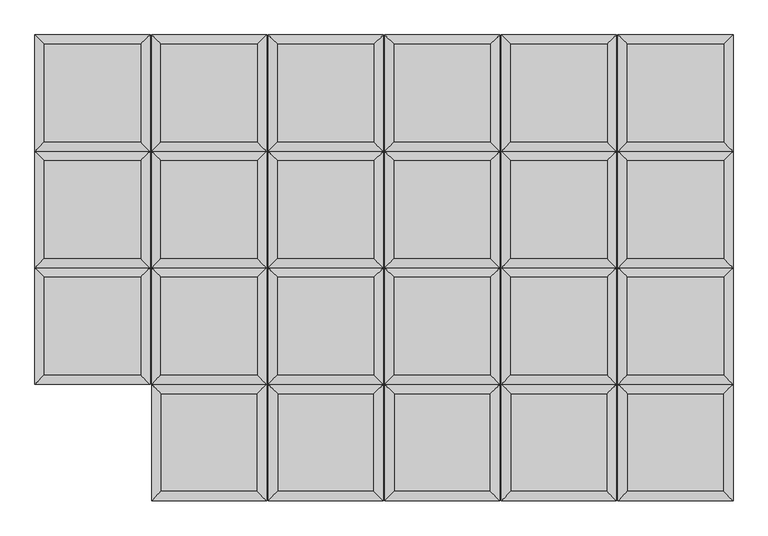
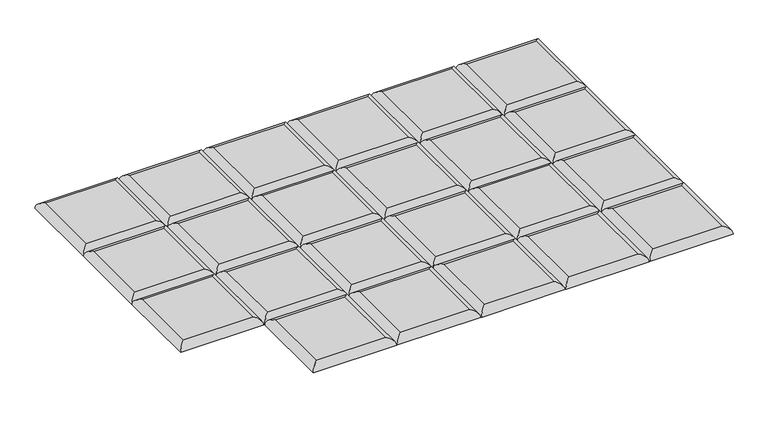
"""IFC4 building model written with IfcOpenShell, lengths in millimetres: furniture geometry."""

from ifc_helpers import new_model, si_unit, frame, origin, place, context, project, spatial, ellipse_curve, source, transform, mapped, element, save
from ifc_brep_helpers import plane_surface, cylinder_surface, advanced_brep


def furniture_670e7855(model_context):
    return source(origin(), model_context, "Body", "AdvancedBrep", [
        advanced_brep(
        [(870.7572655, -204.2894878, 411.6605122), (870.7572655, -17.9605122, 411.6605122), (686.96829, -17.9605122, 411.6605122), (686.96829, -204.2894878, 411.6605122), (888.7177778, 0.0, 393.7), (888.7177778, -222.25, 393.7), (669.0077778, -222.25, 393.7), (669.0077778, 0.0, 393.7)],
        [
            (0, 1),
            (1, 2),
            (2, 3),
            (3, 0),
            (4, 5),
            (5, 6),
            (6, 7),
            (7, 4),
            (4, 1, ellipse_curve(frame((870.7572655, -17.9605122, 393.7), z_axis=(0.7071067811865475, -0.7071067811865475, 0.0), x_axis=(0.7071067811865474, 0.7071067811865476, 0.0)), 25.4, 17.9605122)),
            (0, 5, ellipse_curve(frame((870.7572655, -204.2894878, 393.7), z_axis=(0.7071067811865475, 0.7071067811865475, 0.0), x_axis=(-0.7071067811865474, 0.7071067811865476, 0.0)), 25.4, 17.9605122)),
            (3, 6, ellipse_curve(frame((686.96829, -204.2894878, 393.7), z_axis=(0.7071067811865475, -0.7071067811865475, 0.0), x_axis=(0.7071067811865476, 0.7071067811865474, 0.0)), 25.4, 17.9605122)),
            (2, 7, ellipse_curve(frame((686.96829, -17.9605122, 393.7), z_axis=(-0.7071067811865475, -0.7071067811865475, 0.0), x_axis=(0.7071067811865474, -0.7071067811865476, 0.0)), 25.4, 17.9605122)),
        ],
        [
            plane_surface(frame((686.96829, -17.9605122, 411.6605122), z_axis=(0.0, 0.0, 1.0), x_axis=(-1.0, 0.0, 0.0))),
            plane_surface(frame((686.96829, -17.9605122, 393.7), z_axis=(0.0, 0.0, -1.0), x_axis=(1.0, 0.0, 0.0))),
            cylinder_surface(frame((870.7572655, 0.0, 393.7), z_axis=(0.0, 1.0, 0.0), x_axis=(1.0, 0.0, 0.0)), 17.9605122),
            cylinder_surface(frame((888.7177778, -204.2894878, 393.7), z_axis=(1.0, 0.0, 0.0), x_axis=(0.0, -1.0, 0.0)), 17.9605122),
            cylinder_surface(frame((686.96829, -222.25, 393.7), z_axis=(0.0, -1.0, 0.0), x_axis=(-1.0, 0.0, 0.0)), 17.9605122),
            cylinder_surface(frame((669.0077778, -17.9605122, 393.7), z_axis=(-1.0, 0.0, 0.0), x_axis=(0.0, 1.0, 0.0)), 17.9605122),
        ],
        [
            (0, [[1, 2, 3, 4]]),
            (1, [[5, 6, 7, 8]]),
            (2, [[9, -1, 10, -5]]),
            (3, [[-10, -4, 11, -6]]),
            (4, [[-11, -3, 12, -7]]),
            (5, [[-9, -8, -12, -2]]),
        ],
    ),
        advanced_brep(
        [(870.7572655, 17.9605122, 411.6605122), (870.7572655, 204.2894878, 411.6605122), (686.96829, 204.2894878, 411.6605122), (686.96829, 17.9605122, 411.6605122), (888.7177778, 222.25, 393.7), (888.7177778, 0.0, 393.7), (669.0077778, 0.0, 393.7), (669.0077778, 222.25, 393.7)],
        [
            (0, 1),
            (1, 2),
            (2, 3),
            (3, 0),
            (4, 5),
            (5, 6),
            (6, 7),
            (7, 4),
            (4, 1, ellipse_curve(frame((870.7572655, 204.2894878, 393.7), z_axis=(0.7071067811865475, -0.7071067811865475, 0.0), x_axis=(0.7071067811865474, 0.7071067811865476, 0.0)), 25.4, 17.9605122)),
            (0, 5, ellipse_curve(frame((870.7572655, 17.9605122, 393.7), z_axis=(0.7071067811865475, 0.7071067811865475, 0.0), x_axis=(-0.7071067811865474, 0.7071067811865476, 0.0)), 25.4, 17.9605122)),
            (3, 6, ellipse_curve(frame((686.96829, 17.9605122, 393.7), z_axis=(0.7071067811865475, -0.7071067811865475, 0.0), x_axis=(0.7071067811865476, 0.7071067811865474, 0.0)), 25.4, 17.9605122)),
            (2, 7, ellipse_curve(frame((686.96829, 204.2894878, 393.7), z_axis=(-0.7071067811865475, -0.7071067811865475, 0.0), x_axis=(0.7071067811865474, -0.7071067811865476, 0.0)), 25.4, 17.9605122)),
        ],
        [
            plane_surface(frame((686.96829, 204.2894878, 411.6605122), z_axis=(0.0, 0.0, 1.0), x_axis=(-1.0, 0.0, 0.0))),
            plane_surface(frame((686.96829, 204.2894878, 393.7), z_axis=(0.0, 0.0, -1.0), x_axis=(1.0, 0.0, 0.0))),
            cylinder_surface(frame((870.7572655, 222.25, 393.7), z_axis=(0.0, 1.0, 0.0), x_axis=(1.0, 0.0, 0.0)), 17.9605122),
            cylinder_surface(frame((888.7177778, 17.9605122, 393.7), z_axis=(1.0, 0.0, 0.0), x_axis=(0.0, -1.0, 0.0)), 17.9605122),
            cylinder_surface(frame((686.96829, 0.0, 393.7), z_axis=(0.0, -1.0, 0.0), x_axis=(-1.0, 0.0, 0.0)), 17.9605122),
            cylinder_surface(frame((669.0077778, 204.2894878, 393.7), z_axis=(-1.0, 0.0, 0.0), x_axis=(0.0, 1.0, 0.0)), 17.9605122),
        ],
        [
            (0, [[1, 2, 3, 4]]),
            (1, [[5, 6, 7, 8]]),
            (2, [[9, -1, 10, -5]]),
            (3, [[-10, -4, 11, -6]]),
            (4, [[-11, -3, 12, -7]]),
            (5, [[-9, -8, -12, -2]]),
        ],
    ),
        advanced_brep(
        [(870.7572655, 240.2105122, 411.6605122), (870.7572655, 426.5394878, 411.6605122), (686.96829, 426.5394878, 411.6605122), (686.96829, 240.2105122, 411.6605122), (888.7177778, 444.5, 393.7), (888.7177778, 222.25, 393.7), (669.0077778, 222.25, 393.7), (669.0077778, 444.5, 393.7)],
        [
            (0, 1),
            (1, 2),
            (2, 3),
            (3, 0),
            (4, 5),
            (5, 6),
            (6, 7),
            (7, 4),
            (4, 1, ellipse_curve(frame((870.7572655, 426.5394878, 393.7), z_axis=(0.7071067811865475, -0.7071067811865475, 0.0), x_axis=(0.7071067811865474, 0.7071067811865476, 0.0)), 25.4, 17.9605122)),
            (0, 5, ellipse_curve(frame((870.7572655, 240.2105122, 393.7), z_axis=(0.7071067811865475, 0.7071067811865475, 0.0), x_axis=(-0.7071067811865474, 0.7071067811865476, 0.0)), 25.4, 17.9605122)),
            (3, 6, ellipse_curve(frame((686.96829, 240.2105122, 393.7), z_axis=(0.7071067811865475, -0.7071067811865475, 0.0), x_axis=(0.7071067811865476, 0.7071067811865474, 0.0)), 25.4, 17.9605122)),
            (2, 7, ellipse_curve(frame((686.96829, 426.5394878, 393.7), z_axis=(-0.7071067811865475, -0.7071067811865475, 0.0), x_axis=(0.7071067811865474, -0.7071067811865476, 0.0)), 25.4, 17.9605122)),
        ],
        [
            plane_surface(frame((686.96829, 426.5394878, 411.6605122), z_axis=(0.0, 0.0, 1.0), x_axis=(-1.0, 0.0, 0.0))),
            plane_surface(frame((686.96829, 426.5394878, 393.7), z_axis=(0.0, 0.0, -1.0), x_axis=(1.0, 0.0, 0.0))),
            cylinder_surface(frame((870.7572655, 444.5, 393.7), z_axis=(0.0, 1.0, 0.0), x_axis=(1.0, 0.0, 0.0)), 17.9605122),
            cylinder_surface(frame((888.7177778, 240.2105122, 393.7), z_axis=(1.0, 0.0, 0.0), x_axis=(0.0, -1.0, 0.0)), 17.9605122),
            cylinder_surface(frame((686.96829, 222.25, 393.7), z_axis=(0.0, -1.0, 0.0), x_axis=(-1.0, 0.0, 0.0)), 17.9605122),
            cylinder_surface(frame((669.0077778, 426.5394878, 393.7), z_axis=(-1.0, 0.0, 0.0), x_axis=(0.0, 1.0, 0.0)), 17.9605122),
        ],
        [
            (0, [[1, 2, 3, 4]]),
            (1, [[5, 6, 7, 8]]),
            (2, [[9, -1, 10, -5]]),
            (3, [[-10, -4, 11, -6]]),
            (4, [[-11, -3, 12, -7]]),
            (5, [[-9, -8, -12, -2]]),
        ],
    ),
        advanced_brep(
        [(888.7177778, -222.25, 393.7), (870.7572655, -240.2105122, 411.6605122), (870.7572655, -426.5394878, 411.6605122), (888.7177778, -444.5, 393.7), (686.96829, -426.5394878, 411.6605122), (669.0077778, -444.5, 393.7), (686.96829, -240.2105122, 411.6605122), (669.0077778, -222.25, 393.7)],
        [
            (0, 1, ellipse_curve(frame((870.7572655, -240.2105122, 393.7), z_axis=(0.7071067811865475, -0.7071067811865475, 0.0), x_axis=(0.7071067811865474, 0.7071067811865476, 0.0)), 25.4, 17.9605122)),
            (1, 2),
            (2, 3, ellipse_curve(frame((870.7572655, -426.5394878, 393.7), z_axis=(0.7071067811865475, 0.7071067811865475, 0.0), x_axis=(-0.7071067811865474, 0.7071067811865476, 0.0)), 25.4, 17.9605122)),
            (3, 0),
            (2, 4),
            (4, 5, ellipse_curve(frame((686.96829, -426.5394878, 393.7), z_axis=(0.7071067811865475, -0.7071067811865475, 0.0), x_axis=(0.7071067811865476, 0.7071067811865474, 0.0)), 25.4, 17.9605122)),
            (5, 3),
            (4, 6),
            (6, 7, ellipse_curve(frame((686.96829, -240.2105122, 393.7), z_axis=(-0.7071067811865475, -0.7071067811865475, 0.0), x_axis=(0.7071067811865474, -0.7071067811865476, 0.0)), 25.4, 17.9605122)),
            (7, 5),
            (0, 7),
            (6, 1),
        ],
        [
            cylinder_surface(frame((870.7572655, -222.25, 393.7), z_axis=(0.0, 1.0, 0.0), x_axis=(1.0, 0.0, 0.0)), 17.9605122),
            cylinder_surface(frame((888.7177778, -426.5394878, 393.7), z_axis=(1.0, 0.0, 0.0), x_axis=(0.0, -1.0, 0.0)), 17.9605122),
            cylinder_surface(frame((686.96829, -444.5, 393.7), z_axis=(0.0, -1.0, 0.0), x_axis=(-1.0, 0.0, 0.0)), 17.9605122),
            cylinder_surface(frame((669.0077778, -240.2105122, 393.7), z_axis=(-1.0, 0.0, 0.0), x_axis=(0.0, 1.0, 0.0)), 17.9605122),
            plane_surface(frame((669.0077778, -222.25, 393.7), z_axis=(0.0, 0.0, -1.0), x_axis=(1.0, 0.0, 0.0))),
            plane_surface(frame((686.96829, -240.2105122, 411.6605122), z_axis=(0.0, 0.0, 1.0), x_axis=(-1.0, 0.0, 0.0))),
        ],
        [
            (0, [[1, 2, 3, 4]]),
            (1, [[-3, 5, 6, 7]]),
            (2, [[-6, 8, 9, 10]]),
            (3, [[-1, 11, -9, 12]]),
            (4, [[-4, -7, -10, -11]]),
            (5, [[-2, -12, -8, -5]]),
        ],
    ),
        advanced_brep(
        [(648.2250433, -204.2894878, 411.6605122), (648.2250433, -17.9605122, 411.6605122), (464.4360678, -17.9605122, 411.6605122), (464.4360678, -204.2894878, 411.6605122), (666.1855556, 0.0, 393.7), (666.1855556, -222.25, 393.7), (446.4755556, -222.25, 393.7), (446.4755556, 0.0, 393.7)],
        [
            (0, 1),
            (1, 2),
            (2, 3),
            (3, 0),
            (4, 5),
            (5, 6),
            (6, 7),
            (7, 4),
            (4, 1, ellipse_curve(frame((648.2250433, -17.9605122, 393.7), z_axis=(0.7071067811865475, -0.7071067811865475, 0.0), x_axis=(0.7071067811865474, 0.7071067811865476, 0.0)), 25.4, 17.9605122)),
            (0, 5, ellipse_curve(frame((648.2250433, -204.2894878, 393.7), z_axis=(0.7071067811865475, 0.7071067811865475, 0.0), x_axis=(-0.7071067811865474, 0.7071067811865476, 0.0)), 25.4, 17.9605122)),
            (3, 6, ellipse_curve(frame((464.4360678, -204.2894878, 393.7), z_axis=(0.7071067811865475, -0.7071067811865475, 0.0), x_axis=(0.7071067811865476, 0.7071067811865474, 0.0)), 25.4, 17.9605122)),
            (2, 7, ellipse_curve(frame((464.4360678, -17.9605122, 393.7), z_axis=(-0.7071067811865475, -0.7071067811865475, 0.0), x_axis=(0.7071067811865474, -0.7071067811865476, 0.0)), 25.4, 17.9605122)),
        ],
        [
            plane_surface(frame((464.4360678, -17.9605122, 411.6605122), z_axis=(0.0, 0.0, 1.0), x_axis=(-1.0, 0.0, 0.0))),
            plane_surface(frame((464.4360678, -17.9605122, 393.7), z_axis=(0.0, 0.0, -1.0), x_axis=(1.0, 0.0, 0.0))),
            cylinder_surface(frame((648.2250433, 0.0, 393.7), z_axis=(0.0, 1.0, 0.0), x_axis=(1.0, 0.0, 0.0)), 17.9605122),
            cylinder_surface(frame((666.1855556, -204.2894878, 393.7), z_axis=(1.0, 0.0, 0.0), x_axis=(0.0, -1.0, 0.0)), 17.9605122),
            cylinder_surface(frame((464.4360678, -222.25, 393.7), z_axis=(0.0, -1.0, 0.0), x_axis=(-1.0, 0.0, 0.0)), 17.9605122),
            cylinder_surface(frame((446.4755556, -17.9605122, 393.7), z_axis=(-1.0, 0.0, 0.0), x_axis=(0.0, 1.0, 0.0)), 17.9605122),
        ],
        [
            (0, [[1, 2, 3, 4]]),
            (1, [[5, 6, 7, 8]]),
            (2, [[9, -1, 10, -5]]),
            (3, [[-10, -4, 11, -6]]),
            (4, [[-11, -3, 12, -7]]),
            (5, [[-9, -8, -12, -2]]),
        ],
    ),
        advanced_brep(
        [(648.2250433, 17.9605122, 411.6605122), (648.2250433, 204.2894878, 411.6605122), (464.4360678, 204.2894878, 411.6605122), (464.4360678, 17.9605122, 411.6605122), (666.1855556, 222.25, 393.7), (666.1855556, 0.0, 393.7), (446.4755556, 0.0, 393.7), (446.4755556, 222.25, 393.7)],
        [
            (0, 1),
            (1, 2),
            (2, 3),
            (3, 0),
            (4, 5),
            (5, 6),
            (6, 7),
            (7, 4),
            (4, 1, ellipse_curve(frame((648.2250433, 204.2894878, 393.7), z_axis=(0.7071067811865475, -0.7071067811865475, 0.0), x_axis=(0.7071067811865474, 0.7071067811865476, 0.0)), 25.4, 17.9605122)),
            (0, 5, ellipse_curve(frame((648.2250433, 17.9605122, 393.7), z_axis=(0.7071067811865475, 0.7071067811865475, 0.0), x_axis=(-0.7071067811865474, 0.7071067811865476, 0.0)), 25.4, 17.9605122)),
            (3, 6, ellipse_curve(frame((464.4360678, 17.9605122, 393.7), z_axis=(0.7071067811865475, -0.7071067811865475, 0.0), x_axis=(0.7071067811865476, 0.7071067811865474, 0.0)), 25.4, 17.9605122)),
            (2, 7, ellipse_curve(frame((464.4360678, 204.2894878, 393.7), z_axis=(-0.7071067811865475, -0.7071067811865475, 0.0), x_axis=(0.7071067811865474, -0.7071067811865476, 0.0)), 25.4, 17.9605122)),
        ],
        [
            plane_surface(frame((464.4360678, 204.2894878, 411.6605122), z_axis=(0.0, 0.0, 1.0), x_axis=(-1.0, 0.0, 0.0))),
            plane_surface(frame((464.4360678, 204.2894878, 393.7), z_axis=(0.0, 0.0, -1.0), x_axis=(1.0, 0.0, 0.0))),
            cylinder_surface(frame((648.2250433, 222.25, 393.7), z_axis=(0.0, 1.0, 0.0), x_axis=(1.0, 0.0, 0.0)), 17.9605122),
            cylinder_surface(frame((666.1855556, 17.9605122, 393.7), z_axis=(1.0, 0.0, 0.0), x_axis=(0.0, -1.0, 0.0)), 17.9605122),
            cylinder_surface(frame((464.4360678, 0.0, 393.7), z_axis=(0.0, -1.0, 0.0), x_axis=(-1.0, 0.0, 0.0)), 17.9605122),
            cylinder_surface(frame((446.4755556, 204.2894878, 393.7), z_axis=(-1.0, 0.0, 0.0), x_axis=(0.0, 1.0, 0.0)), 17.9605122),
        ],
        [
            (0, [[1, 2, 3, 4]]),
            (1, [[5, 6, 7, 8]]),
            (2, [[9, -1, 10, -5]]),
            (3, [[-10, -4, 11, -6]]),
            (4, [[-11, -3, 12, -7]]),
            (5, [[-9, -8, -12, -2]]),
        ],
    ),
        advanced_brep(
        [(648.2250433, 240.2105122, 411.6605122), (648.2250433, 426.5394878, 411.6605122), (464.4360678, 426.5394878, 411.6605122), (464.4360678, 240.2105122, 411.6605122), (666.1855556, 444.5, 393.7), (666.1855556, 222.25, 393.7), (446.4755556, 222.25, 393.7), (446.4755556, 444.5, 393.7)],
        [
            (0, 1),
            (1, 2),
            (2, 3),
            (3, 0),
            (4, 5),
            (5, 6),
            (6, 7),
            (7, 4),
            (4, 1, ellipse_curve(frame((648.2250433, 426.5394878, 393.7), z_axis=(0.7071067811865475, -0.7071067811865475, 0.0), x_axis=(0.7071067811865474, 0.7071067811865476, 0.0)), 25.4, 17.9605122)),
            (0, 5, ellipse_curve(frame((648.2250433, 240.2105122, 393.7), z_axis=(0.7071067811865475, 0.7071067811865475, 0.0), x_axis=(-0.7071067811865474, 0.7071067811865476, 0.0)), 25.4, 17.9605122)),
            (3, 6, ellipse_curve(frame((464.4360678, 240.2105122, 393.7), z_axis=(0.7071067811865475, -0.7071067811865475, 0.0), x_axis=(0.7071067811865476, 0.7071067811865474, 0.0)), 25.4, 17.9605122)),
            (2, 7, ellipse_curve(frame((464.4360678, 426.5394878, 393.7), z_axis=(-0.7071067811865475, -0.7071067811865475, 0.0), x_axis=(0.7071067811865474, -0.7071067811865476, 0.0)), 25.4, 17.9605122)),
        ],
        [
            plane_surface(frame((464.4360678, 426.5394878, 411.6605122), z_axis=(0.0, 0.0, 1.0), x_axis=(-1.0, 0.0, 0.0))),
            plane_surface(frame((464.4360678, 426.5394878, 393.7), z_axis=(0.0, 0.0, -1.0), x_axis=(1.0, 0.0, 0.0))),
            cylinder_surface(frame((648.2250433, 444.5, 393.7), z_axis=(0.0, 1.0, 0.0), x_axis=(1.0, 0.0, 0.0)), 17.9605122),
            cylinder_surface(frame((666.1855556, 240.2105122, 393.7), z_axis=(1.0, 0.0, 0.0), x_axis=(0.0, -1.0, 0.0)), 17.9605122),
            cylinder_surface(frame((464.4360678, 222.25, 393.7), z_axis=(0.0, -1.0, 0.0), x_axis=(-1.0, 0.0, 0.0)), 17.9605122),
            cylinder_surface(frame((446.4755556, 426.5394878, 393.7), z_axis=(-1.0, 0.0, 0.0), x_axis=(0.0, 1.0, 0.0)), 17.9605122),
        ],
        [
            (0, [[1, 2, 3, 4]]),
            (1, [[5, 6, 7, 8]]),
            (2, [[9, -1, 10, -5]]),
            (3, [[-10, -4, 11, -6]]),
            (4, [[-11, -3, 12, -7]]),
            (5, [[-9, -8, -12, -2]]),
        ],
    ),
        advanced_brep(
        [(666.1855556, -222.25, 393.7), (648.2250433, -240.2105122, 411.6605122), (648.2250433, -426.5394878, 411.6605122), (666.1855556, -444.5, 393.7), (464.4360678, -426.5394878, 411.6605122), (446.4755556, -444.5, 393.7), (464.4360678, -240.2105122, 411.6605122), (446.4755556, -222.25, 393.7)],
        [
            (0, 1, ellipse_curve(frame((648.2250433, -240.2105122, 393.7), z_axis=(0.7071067811865475, -0.7071067811865475, 0.0), x_axis=(0.7071067811865474, 0.7071067811865476, 0.0)), 25.4, 17.9605122)),
            (1, 2),
            (2, 3, ellipse_curve(frame((648.2250433, -426.5394878, 393.7), z_axis=(0.7071067811865475, 0.7071067811865475, 0.0), x_axis=(-0.7071067811865474, 0.7071067811865476, 0.0)), 25.4, 17.9605122)),
            (3, 0),
            (2, 4),
            (4, 5, ellipse_curve(frame((464.4360678, -426.5394878, 393.7), z_axis=(0.7071067811865475, -0.7071067811865475, 0.0), x_axis=(0.7071067811865476, 0.7071067811865474, 0.0)), 25.4, 17.9605122)),
            (5, 3),
            (4, 6),
            (6, 7, ellipse_curve(frame((464.4360678, -240.2105122, 393.7), z_axis=(-0.7071067811865475, -0.7071067811865475, 0.0), x_axis=(0.7071067811865474, -0.7071067811865476, 0.0)), 25.4, 17.9605122)),
            (7, 5),
            (0, 7),
            (6, 1),
        ],
        [
            cylinder_surface(frame((648.2250433, -222.25, 393.7), z_axis=(0.0, 1.0, 0.0), x_axis=(1.0, 0.0, 0.0)), 17.9605122),
            cylinder_surface(frame((666.1855556, -426.5394878, 393.7), z_axis=(1.0, 0.0, 0.0), x_axis=(0.0, -1.0, 0.0)), 17.9605122),
            cylinder_surface(frame((464.4360678, -444.5, 393.7), z_axis=(0.0, -1.0, 0.0), x_axis=(-1.0, 0.0, 0.0)), 17.9605122),
            cylinder_surface(frame((446.4755556, -240.2105122, 393.7), z_axis=(-1.0, 0.0, 0.0), x_axis=(0.0, 1.0, 0.0)), 17.9605122),
            plane_surface(frame((446.4755556, -222.25, 393.7), z_axis=(0.0, 0.0, -1.0), x_axis=(1.0, 0.0, 0.0))),
            plane_surface(frame((464.4360678, -240.2105122, 411.6605122), z_axis=(0.0, 0.0, 1.0), x_axis=(-1.0, 0.0, 0.0))),
        ],
        [
            (0, [[1, 2, 3, 4]]),
            (1, [[-3, 5, 6, 7]]),
            (2, [[-6, 8, 9, 10]]),
            (3, [[-1, 11, -9, 12]]),
            (4, [[-4, -7, -10, -11]]),
            (5, [[-2, -12, -8, -5]]),
        ],
    ),
        advanced_brep(
        [(425.6928211, -204.2894878, 411.6605122), (425.6928211, -17.9605122, 411.6605122), (241.9038456, -17.9605122, 411.6605122), (241.9038456, -204.2894878, 411.6605122), (443.6533333, 0.0, 393.7), (443.6533333, -222.25, 393.7), (223.9433333, -222.25, 393.7), (223.9433333, 0.0, 393.7)],
        [
            (0, 1),
            (1, 2),
            (2, 3),
            (3, 0),
            (4, 5),
            (5, 6),
            (6, 7),
            (7, 4),
            (4, 1, ellipse_curve(frame((425.6928211, -17.9605122, 393.7), z_axis=(0.7071067811865475, -0.7071067811865475, 0.0), x_axis=(0.7071067811865474, 0.7071067811865476, 0.0)), 25.4, 17.9605122)),
            (0, 5, ellipse_curve(frame((425.6928211, -204.2894878, 393.7), z_axis=(0.7071067811865475, 0.7071067811865475, 0.0), x_axis=(-0.7071067811865474, 0.7071067811865476, 0.0)), 25.4, 17.9605122)),
            (3, 6, ellipse_curve(frame((241.9038456, -204.2894878, 393.7), z_axis=(0.7071067811865475, -0.7071067811865475, 0.0), x_axis=(0.7071067811865476, 0.7071067811865474, 0.0)), 25.4, 17.9605122)),
            (2, 7, ellipse_curve(frame((241.9038456, -17.9605122, 393.7), z_axis=(-0.7071067811865475, -0.7071067811865475, 0.0), x_axis=(0.7071067811865474, -0.7071067811865476, 0.0)), 25.4, 17.9605122)),
        ],
        [
            plane_surface(frame((241.9038456, -17.9605122, 411.6605122), z_axis=(0.0, 0.0, 1.0), x_axis=(-1.0, 0.0, 0.0))),
            plane_surface(frame((241.9038456, -17.9605122, 393.7), z_axis=(0.0, 0.0, -1.0), x_axis=(1.0, 0.0, 0.0))),
            cylinder_surface(frame((425.6928211, 0.0, 393.7), z_axis=(0.0, 1.0, 0.0), x_axis=(1.0, 0.0, 0.0)), 17.9605122),
            cylinder_surface(frame((443.6533333, -204.2894878, 393.7), z_axis=(1.0, 0.0, 0.0), x_axis=(0.0, -1.0, 0.0)), 17.9605122),
            cylinder_surface(frame((241.9038456, -222.25, 393.7), z_axis=(0.0, -1.0, 0.0), x_axis=(-1.0, 0.0, 0.0)), 17.9605122),
            cylinder_surface(frame((223.9433333, -17.9605122, 393.7), z_axis=(-1.0, 0.0, 0.0), x_axis=(0.0, 1.0, 0.0)), 17.9605122),
        ],
        [
            (0, [[1, 2, 3, 4]]),
            (1, [[5, 6, 7, 8]]),
            (2, [[9, -1, 10, -5]]),
            (3, [[-10, -4, 11, -6]]),
            (4, [[-11, -3, 12, -7]]),
            (5, [[-9, -8, -12, -2]]),
        ],
    ),
        advanced_brep(
        [(425.6928211, 17.9605122, 411.6605122), (425.6928211, 204.2894878, 411.6605122), (241.9038456, 204.2894878, 411.6605122), (241.9038456, 17.9605122, 411.6605122), (443.6533333, 222.25, 393.7), (443.6533333, 0.0, 393.7), (223.9433333, 0.0, 393.7), (223.9433333, 222.25, 393.7)],
        [
            (0, 1),
            (1, 2),
            (2, 3),
            (3, 0),
            (4, 5),
            (5, 6),
            (6, 7),
            (7, 4),
            (4, 1, ellipse_curve(frame((425.6928211, 204.2894878, 393.7), z_axis=(0.7071067811865475, -0.7071067811865475, 0.0), x_axis=(0.7071067811865474, 0.7071067811865476, 0.0)), 25.4, 17.9605122)),
            (0, 5, ellipse_curve(frame((425.6928211, 17.9605122, 393.7), z_axis=(0.7071067811865475, 0.7071067811865475, 0.0), x_axis=(-0.7071067811865474, 0.7071067811865476, 0.0)), 25.4, 17.9605122)),
            (3, 6, ellipse_curve(frame((241.9038456, 17.9605122, 393.7), z_axis=(0.7071067811865475, -0.7071067811865475, 0.0), x_axis=(0.7071067811865476, 0.7071067811865474, 0.0)), 25.4, 17.9605122)),
            (2, 7, ellipse_curve(frame((241.9038456, 204.2894878, 393.7), z_axis=(-0.7071067811865475, -0.7071067811865475, 0.0), x_axis=(0.7071067811865474, -0.7071067811865476, 0.0)), 25.4, 17.9605122)),
        ],
        [
            plane_surface(frame((241.9038456, 204.2894878, 411.6605122), z_axis=(0.0, 0.0, 1.0), x_axis=(-1.0, 0.0, 0.0))),
            plane_surface(frame((241.9038456, 204.2894878, 393.7), z_axis=(0.0, 0.0, -1.0), x_axis=(1.0, 0.0, 0.0))),
            cylinder_surface(frame((425.6928211, 222.25, 393.7), z_axis=(0.0, 1.0, 0.0), x_axis=(1.0, 0.0, 0.0)), 17.9605122),
            cylinder_surface(frame((443.6533333, 17.9605122, 393.7), z_axis=(1.0, 0.0, 0.0), x_axis=(0.0, -1.0, 0.0)), 17.9605122),
            cylinder_surface(frame((241.9038456, 0.0, 393.7), z_axis=(0.0, -1.0, 0.0), x_axis=(-1.0, 0.0, 0.0)), 17.9605122),
            cylinder_surface(frame((223.9433333, 204.2894878, 393.7), z_axis=(-1.0, 0.0, 0.0), x_axis=(0.0, 1.0, 0.0)), 17.9605122),
        ],
        [
            (0, [[1, 2, 3, 4]]),
            (1, [[5, 6, 7, 8]]),
            (2, [[9, -1, 10, -5]]),
            (3, [[-10, -4, 11, -6]]),
            (4, [[-11, -3, 12, -7]]),
            (5, [[-9, -8, -12, -2]]),
        ],
    ),
        advanced_brep(
        [(425.6928211, 240.2105122, 411.6605122), (425.6928211, 426.5394878, 411.6605122), (241.9038456, 426.5394878, 411.6605122), (241.9038456, 240.2105122, 411.6605122), (443.6533333, 444.5, 393.7), (443.6533333, 222.25, 393.7), (223.9433333, 222.25, 393.7), (223.9433333, 444.5, 393.7)],
        [
            (0, 1),
            (1, 2),
            (2, 3),
            (3, 0),
            (4, 5),
            (5, 6),
            (6, 7),
            (7, 4),
            (4, 1, ellipse_curve(frame((425.6928211, 426.5394878, 393.7), z_axis=(0.7071067811865475, -0.7071067811865475, 0.0), x_axis=(0.7071067811865474, 0.7071067811865476, 0.0)), 25.4, 17.9605122)),
            (0, 5, ellipse_curve(frame((425.6928211, 240.2105122, 393.7), z_axis=(0.7071067811865475, 0.7071067811865475, 0.0), x_axis=(-0.7071067811865474, 0.7071067811865476, 0.0)), 25.4, 17.9605122)),
            (3, 6, ellipse_curve(frame((241.9038456, 240.2105122, 393.7), z_axis=(0.7071067811865475, -0.7071067811865475, 0.0), x_axis=(0.7071067811865476, 0.7071067811865474, 0.0)), 25.4, 17.9605122)),
            (2, 7, ellipse_curve(frame((241.9038456, 426.5394878, 393.7), z_axis=(-0.7071067811865475, -0.7071067811865475, 0.0), x_axis=(0.7071067811865474, -0.7071067811865476, 0.0)), 25.4, 17.9605122)),
        ],
        [
            plane_surface(frame((241.9038456, 426.5394878, 411.6605122), z_axis=(0.0, 0.0, 1.0), x_axis=(-1.0, 0.0, 0.0))),
            plane_surface(frame((241.9038456, 426.5394878, 393.7), z_axis=(0.0, 0.0, -1.0), x_axis=(1.0, 0.0, 0.0))),
            cylinder_surface(frame((425.6928211, 444.5, 393.7), z_axis=(0.0, 1.0, 0.0), x_axis=(1.0, 0.0, 0.0)), 17.9605122),
            cylinder_surface(frame((443.6533333, 240.2105122, 393.7), z_axis=(1.0, 0.0, 0.0), x_axis=(0.0, -1.0, 0.0)), 17.9605122),
            cylinder_surface(frame((241.9038456, 222.25, 393.7), z_axis=(0.0, -1.0, 0.0), x_axis=(-1.0, 0.0, 0.0)), 17.9605122),
            cylinder_surface(frame((223.9433333, 426.5394878, 393.7), z_axis=(-1.0, 0.0, 0.0), x_axis=(0.0, 1.0, 0.0)), 17.9605122),
        ],
        [
            (0, [[1, 2, 3, 4]]),
            (1, [[5, 6, 7, 8]]),
            (2, [[9, -1, 10, -5]]),
            (3, [[-10, -4, 11, -6]]),
            (4, [[-11, -3, 12, -7]]),
            (5, [[-9, -8, -12, -2]]),
        ],
    ),
        advanced_brep(
        [(443.6533333, -222.25, 393.7), (425.6928211, -240.2105122, 411.6605122), (425.6928211, -426.5394878, 411.6605122), (443.6533333, -444.5, 393.7), (241.9038456, -426.5394878, 411.6605122), (223.9433333, -444.5, 393.7), (241.9038456, -240.2105122, 411.6605122), (223.9433333, -222.25, 393.7)],
        [
            (0, 1, ellipse_curve(frame((425.6928211, -240.2105122, 393.7), z_axis=(0.7071067811865475, -0.7071067811865475, 0.0), x_axis=(0.7071067811865474, 0.7071067811865476, 0.0)), 25.4, 17.9605122)),
            (1, 2),
            (2, 3, ellipse_curve(frame((425.6928211, -426.5394878, 393.7), z_axis=(0.7071067811865475, 0.7071067811865475, 0.0), x_axis=(-0.7071067811865474, 0.7071067811865476, 0.0)), 25.4, 17.9605122)),
            (3, 0),
            (2, 4),
            (4, 5, ellipse_curve(frame((241.9038456, -426.5394878, 393.7), z_axis=(0.7071067811865475, -0.7071067811865475, 0.0), x_axis=(0.7071067811865476, 0.7071067811865474, 0.0)), 25.4, 17.9605122)),
            (5, 3),
            (4, 6),
            (6, 7, ellipse_curve(frame((241.9038456, -240.2105122, 393.7), z_axis=(-0.7071067811865475, -0.7071067811865475, 0.0), x_axis=(0.7071067811865474, -0.7071067811865476, 0.0)), 25.4, 17.9605122)),
            (7, 5),
            (0, 7),
            (6, 1),
        ],
        [
            cylinder_surface(frame((425.6928211, -222.25, 393.7), z_axis=(0.0, 1.0, 0.0), x_axis=(1.0, 0.0, 0.0)), 17.9605122),
            cylinder_surface(frame((443.6533333, -426.5394878, 393.7), z_axis=(1.0, 0.0, 0.0), x_axis=(0.0, -1.0, 0.0)), 17.9605122),
            cylinder_surface(frame((241.9038456, -444.5, 393.7), z_axis=(0.0, -1.0, 0.0), x_axis=(-1.0, 0.0, 0.0)), 17.9605122),
            cylinder_surface(frame((223.9433333, -240.2105122, 393.7), z_axis=(-1.0, 0.0, 0.0), x_axis=(0.0, 1.0, 0.0)), 17.9605122),
            plane_surface(frame((223.9433333, -222.25, 393.7), z_axis=(0.0, 0.0, -1.0), x_axis=(1.0, 0.0, 0.0))),
            plane_surface(frame((241.9038456, -240.2105122, 411.6605122), z_axis=(0.0, 0.0, 1.0), x_axis=(-1.0, 0.0, 0.0))),
        ],
        [
            (0, [[1, 2, 3, 4]]),
            (1, [[-3, 5, 6, 7]]),
            (2, [[-6, 8, 9, 10]]),
            (3, [[-1, 11, -9, 12]]),
            (4, [[-4, -7, -10, -11]]),
            (5, [[-2, -12, -8, -5]]),
        ],
    ),
        advanced_brep(
        [(203.1605989, -204.2894878, 411.6605122), (203.1605989, -17.9605122, 411.6605122), (19.3716234, -17.9605122, 411.6605122), (19.3716234, -204.2894878, 411.6605122), (221.1211111, 0.0, 393.7), (221.1211111, -222.25, 393.7), (1.4111111, -222.25, 393.7), (1.4111111, 0.0, 393.7)],
        [
            (0, 1),
            (1, 2),
            (2, 3),
            (3, 0),
            (4, 5),
            (5, 6),
            (6, 7),
            (7, 4),
            (4, 1, ellipse_curve(frame((203.1605989, -17.9605122, 393.7), z_axis=(0.7071067811865475, -0.7071067811865475, 0.0), x_axis=(0.7071067811865474, 0.7071067811865476, 0.0)), 25.4, 17.9605122)),
            (0, 5, ellipse_curve(frame((203.1605989, -204.2894878, 393.7), z_axis=(0.7071067811865475, 0.7071067811865475, 0.0), x_axis=(-0.7071067811865474, 0.7071067811865476, 0.0)), 25.4, 17.9605122)),
            (3, 6, ellipse_curve(frame((19.3716234, -204.2894878, 393.7), z_axis=(0.7071067811865475, -0.7071067811865475, 0.0), x_axis=(0.7071067811865476, 0.7071067811865474, 0.0)), 25.4, 17.9605122)),
            (2, 7, ellipse_curve(frame((19.3716234, -17.9605122, 393.7), z_axis=(-0.7071067811865475, -0.7071067811865475, 0.0), x_axis=(0.7071067811865474, -0.7071067811865476, 0.0)), 25.4, 17.9605122)),
        ],
        [
            plane_surface(frame((19.3716234, -17.9605122, 411.6605122), z_axis=(0.0, 0.0, 1.0), x_axis=(-1.0, 0.0, 0.0))),
            plane_surface(frame((19.3716234, -17.9605122, 393.7), z_axis=(0.0, 0.0, -1.0), x_axis=(1.0, 0.0, 0.0))),
            cylinder_surface(frame((203.1605989, 0.0, 393.7), z_axis=(0.0, 1.0, 0.0), x_axis=(1.0, 0.0, 0.0)), 17.9605122),
            cylinder_surface(frame((221.1211111, -204.2894878, 393.7), z_axis=(1.0, 0.0, 0.0), x_axis=(0.0, -1.0, 0.0)), 17.9605122),
            cylinder_surface(frame((19.3716234, -222.25, 393.7), z_axis=(0.0, -1.0, 0.0), x_axis=(-1.0, 0.0, 0.0)), 17.9605122),
            cylinder_surface(frame((1.4111111, -17.9605122, 393.7), z_axis=(-1.0, 0.0, 0.0), x_axis=(0.0, 1.0, 0.0)), 17.9605122),
        ],
        [
            (0, [[1, 2, 3, 4]]),
            (1, [[5, 6, 7, 8]]),
            (2, [[9, -1, 10, -5]]),
            (3, [[-10, -4, 11, -6]]),
            (4, [[-11, -3, 12, -7]]),
            (5, [[-9, -8, -12, -2]]),
        ],
    ),
        advanced_brep(
        [(203.1605989, 17.9605122, 411.6605122), (203.1605989, 204.2894878, 411.6605122), (19.3716234, 204.2894878, 411.6605122), (19.3716234, 17.9605122, 411.6605122), (221.1211111, 222.25, 393.7), (221.1211111, 0.0, 393.7), (1.4111111, 0.0, 393.7), (1.4111111, 222.25, 393.7)],
        [
            (0, 1),
            (1, 2),
            (2, 3),
            (3, 0),
            (4, 5),
            (5, 6),
            (6, 7),
            (7, 4),
            (4, 1, ellipse_curve(frame((203.1605989, 204.2894878, 393.7), z_axis=(0.7071067811865475, -0.7071067811865475, 0.0), x_axis=(0.7071067811865474, 0.7071067811865476, 0.0)), 25.4, 17.9605122)),
            (0, 5, ellipse_curve(frame((203.1605989, 17.9605122, 393.7), z_axis=(0.7071067811865475, 0.7071067811865475, 0.0), x_axis=(-0.7071067811865474, 0.7071067811865476, 0.0)), 25.4, 17.9605122)),
            (3, 6, ellipse_curve(frame((19.3716234, 17.9605122, 393.7), z_axis=(0.7071067811865475, -0.7071067811865475, 0.0), x_axis=(0.7071067811865476, 0.7071067811865474, 0.0)), 25.4, 17.9605122)),
            (2, 7, ellipse_curve(frame((19.3716234, 204.2894878, 393.7), z_axis=(-0.7071067811865475, -0.7071067811865475, 0.0), x_axis=(0.7071067811865474, -0.7071067811865476, 0.0)), 25.4, 17.9605122)),
        ],
        [
            plane_surface(frame((19.3716234, 204.2894878, 411.6605122), z_axis=(0.0, 0.0, 1.0), x_axis=(-1.0, 0.0, 0.0))),
            plane_surface(frame((19.3716234, 204.2894878, 393.7), z_axis=(0.0, 0.0, -1.0), x_axis=(1.0, 0.0, 0.0))),
            cylinder_surface(frame((203.1605989, 222.25, 393.7), z_axis=(0.0, 1.0, 0.0), x_axis=(1.0, 0.0, 0.0)), 17.9605122),
            cylinder_surface(frame((221.1211111, 17.9605122, 393.7), z_axis=(1.0, 0.0, 0.0), x_axis=(0.0, -1.0, 0.0)), 17.9605122),
            cylinder_surface(frame((19.3716234, 0.0, 393.7), z_axis=(0.0, -1.0, 0.0), x_axis=(-1.0, 0.0, 0.0)), 17.9605122),
            cylinder_surface(frame((1.4111111, 204.2894878, 393.7), z_axis=(-1.0, 0.0, 0.0), x_axis=(0.0, 1.0, 0.0)), 17.9605122),
        ],
        [
            (0, [[1, 2, 3, 4]]),
            (1, [[5, 6, 7, 8]]),
            (2, [[9, -1, 10, -5]]),
            (3, [[-10, -4, 11, -6]]),
            (4, [[-11, -3, 12, -7]]),
            (5, [[-9, -8, -12, -2]]),
        ],
    ),
        advanced_brep(
        [(203.1605989, 240.2105122, 411.6605122), (203.1605989, 426.5394878, 411.6605122), (19.3716234, 426.5394878, 411.6605122), (19.3716234, 240.2105122, 411.6605122), (221.1211111, 444.5, 393.7), (221.1211111, 222.25, 393.7), (1.4111111, 222.25, 393.7), (1.4111111, 444.5, 393.7)],
        [
            (0, 1),
            (1, 2),
            (2, 3),
            (3, 0),
            (4, 5),
            (5, 6),
            (6, 7),
            (7, 4),
            (4, 1, ellipse_curve(frame((203.1605989, 426.5394878, 393.7), z_axis=(0.7071067811865475, -0.7071067811865475, 0.0), x_axis=(0.7071067811865474, 0.7071067811865476, 0.0)), 25.4, 17.9605122)),
            (0, 5, ellipse_curve(frame((203.1605989, 240.2105122, 393.7), z_axis=(0.7071067811865475, 0.7071067811865475, 0.0), x_axis=(-0.7071067811865474, 0.7071067811865476, 0.0)), 25.4, 17.9605122)),
            (3, 6, ellipse_curve(frame((19.3716234, 240.2105122, 393.7), z_axis=(0.7071067811865475, -0.7071067811865475, 0.0), x_axis=(0.7071067811865476, 0.7071067811865474, 0.0)), 25.4, 17.9605122)),
            (2, 7, ellipse_curve(frame((19.3716234, 426.5394878, 393.7), z_axis=(-0.7071067811865475, -0.7071067811865475, 0.0), x_axis=(0.7071067811865474, -0.7071067811865476, 0.0)), 25.4, 17.9605122)),
        ],
        [
            plane_surface(frame((19.3716234, 426.5394878, 411.6605122), z_axis=(0.0, 0.0, 1.0), x_axis=(-1.0, 0.0, 0.0))),
            plane_surface(frame((19.3716234, 426.5394878, 393.7), z_axis=(0.0, 0.0, -1.0), x_axis=(1.0, 0.0, 0.0))),
            cylinder_surface(frame((203.1605989, 444.5, 393.7), z_axis=(0.0, 1.0, 0.0), x_axis=(1.0, 0.0, 0.0)), 17.9605122),
            cylinder_surface(frame((221.1211111, 240.2105122, 393.7), z_axis=(1.0, 0.0, 0.0), x_axis=(0.0, -1.0, 0.0)), 17.9605122),
            cylinder_surface(frame((19.3716234, 222.25, 393.7), z_axis=(0.0, -1.0, 0.0), x_axis=(-1.0, 0.0, 0.0)), 17.9605122),
            cylinder_surface(frame((1.4111111, 426.5394878, 393.7), z_axis=(-1.0, 0.0, 0.0), x_axis=(0.0, 1.0, 0.0)), 17.9605122),
        ],
        [
            (0, [[1, 2, 3, 4]]),
            (1, [[5, 6, 7, 8]]),
            (2, [[9, -1, 10, -5]]),
            (3, [[-10, -4, 11, -6]]),
            (4, [[-11, -3, 12, -7]]),
            (5, [[-9, -8, -12, -2]]),
        ],
    ),
        advanced_brep(
        [(221.1211111, -222.25, 393.7), (203.1605989, -240.2105122, 411.6605122), (203.1605989, -426.5394878, 411.6605122), (221.1211111, -444.5, 393.7), (19.3716234, -426.5394878, 411.6605122), (1.4111111, -444.5, 393.7), (19.3716234, -240.2105122, 411.6605122), (1.4111111, -222.25, 393.7)],
        [
            (0, 1, ellipse_curve(frame((203.1605989, -240.2105122, 393.7), z_axis=(0.7071067811865475, -0.7071067811865475, 0.0), x_axis=(0.7071067811865474, 0.7071067811865476, 0.0)), 25.4, 17.9605122)),
            (1, 2),
            (2, 3, ellipse_curve(frame((203.1605989, -426.5394878, 393.7), z_axis=(0.7071067811865475, 0.7071067811865475, 0.0), x_axis=(-0.7071067811865474, 0.7071067811865476, 0.0)), 25.4, 17.9605122)),
            (3, 0),
            (2, 4),
            (4, 5, ellipse_curve(frame((19.3716234, -426.5394878, 393.7), z_axis=(0.7071067811865475, -0.7071067811865475, 0.0), x_axis=(0.7071067811865476, 0.7071067811865474, 0.0)), 25.4, 17.9605122)),
            (5, 3),
            (4, 6),
            (6, 7, ellipse_curve(frame((19.3716234, -240.2105122, 393.7), z_axis=(-0.7071067811865475, -0.7071067811865475, 0.0), x_axis=(0.7071067811865474, -0.7071067811865476, 0.0)), 25.4, 17.9605122)),
            (7, 5),
            (0, 7),
            (6, 1),
        ],
        [
            cylinder_surface(frame((203.1605989, -222.25, 393.7), z_axis=(0.0, 1.0, 0.0), x_axis=(1.0, 0.0, 0.0)), 17.9605122),
            cylinder_surface(frame((221.1211111, -426.5394878, 393.7), z_axis=(1.0, 0.0, 0.0), x_axis=(0.0, -1.0, 0.0)), 17.9605122),
            cylinder_surface(frame((19.3716234, -444.5, 393.7), z_axis=(0.0, -1.0, 0.0), x_axis=(-1.0, 0.0, 0.0)), 17.9605122),
            cylinder_surface(frame((1.4111111, -240.2105122, 393.7), z_axis=(-1.0, 0.0, 0.0), x_axis=(0.0, 1.0, 0.0)), 17.9605122),
            plane_surface(frame((1.4111111, -222.25, 393.7), z_axis=(0.0, 0.0, -1.0), x_axis=(1.0, 0.0, 0.0))),
            plane_surface(frame((19.3716234, -240.2105122, 411.6605122), z_axis=(0.0, 0.0, 1.0), x_axis=(-1.0, 0.0, 0.0))),
        ],
        [
            (0, [[1, 2, 3, 4]]),
            (1, [[-3, 5, 6, 7]]),
            (2, [[-6, 8, 9, 10]]),
            (3, [[-1, 11, -9, 12]]),
            (4, [[-4, -7, -10, -11]]),
            (5, [[-2, -12, -8, -5]]),
        ],
    ),
        advanced_brep(
        [(-19.3716234, -204.2894878, 411.6605122), (-19.3716234, -17.9605122, 411.6605122), (-203.1605989, -17.9605122, 411.6605122), (-203.1605989, -204.2894878, 411.6605122), (-1.4111111, 0.0, 393.7), (-1.4111111, -222.25, 393.7), (-221.1211111, -222.25, 393.7), (-221.1211111, 0.0, 393.7)],
        [
            (0, 1),
            (1, 2),
            (2, 3),
            (3, 0),
            (4, 5),
            (5, 6),
            (6, 7),
            (7, 4),
            (4, 1, ellipse_curve(frame((-19.3716234, -17.9605122, 393.7), z_axis=(0.7071067811865475, -0.7071067811865475, 0.0), x_axis=(0.7071067811865474, 0.7071067811865476, 0.0)), 25.4, 17.9605122)),
            (0, 5, ellipse_curve(frame((-19.3716234, -204.2894878, 393.7), z_axis=(0.7071067811865475, 0.7071067811865475, 0.0), x_axis=(-0.7071067811865474, 0.7071067811865476, 0.0)), 25.4, 17.9605122)),
            (3, 6, ellipse_curve(frame((-203.1605989, -204.2894878, 393.7), z_axis=(0.7071067811865475, -0.7071067811865475, 0.0), x_axis=(0.7071067811865476, 0.7071067811865474, 0.0)), 25.4, 17.9605122)),
            (2, 7, ellipse_curve(frame((-203.1605989, -17.9605122, 393.7), z_axis=(-0.7071067811865475, -0.7071067811865475, 0.0), x_axis=(0.7071067811865474, -0.7071067811865476, 0.0)), 25.4, 17.9605122)),
        ],
        [
            plane_surface(frame((-203.1605989, -17.9605122, 411.6605122), z_axis=(0.0, 0.0, 1.0), x_axis=(-1.0, 0.0, 0.0))),
            plane_surface(frame((-203.1605989, -17.9605122, 393.7), z_axis=(0.0, 0.0, -1.0), x_axis=(1.0, 0.0, 0.0))),
            cylinder_surface(frame((-19.3716234, 0.0, 393.7), z_axis=(0.0, 1.0, 0.0), x_axis=(1.0, 0.0, 0.0)), 17.9605122),
            cylinder_surface(frame((-1.4111111, -204.2894878, 393.7), z_axis=(1.0, 0.0, 0.0), x_axis=(0.0, -1.0, 0.0)), 17.9605122),
            cylinder_surface(frame((-203.1605989, -222.25, 393.7), z_axis=(0.0, -1.0, 0.0), x_axis=(-1.0, 0.0, 0.0)), 17.9605122),
            cylinder_surface(frame((-221.1211111, -17.9605122, 393.7), z_axis=(-1.0, 0.0, 0.0), x_axis=(0.0, 1.0, 0.0)), 17.9605122),
        ],
        [
            (0, [[1, 2, 3, 4]]),
            (1, [[5, 6, 7, 8]]),
            (2, [[9, -1, 10, -5]]),
            (3, [[-10, -4, 11, -6]]),
            (4, [[-11, -3, 12, -7]]),
            (5, [[-9, -8, -12, -2]]),
        ],
    ),
        advanced_brep(
        [(-19.3716234, 17.9605122, 411.6605122), (-19.3716234, 204.2894878, 411.6605122), (-203.1605989, 204.2894878, 411.6605122), (-203.1605989, 17.9605122, 411.6605122), (-1.4111111, 222.25, 393.7), (-1.4111111, 0.0, 393.7), (-221.1211111, 0.0, 393.7), (-221.1211111, 222.25, 393.7)],
        [
            (0, 1),
            (1, 2),
            (2, 3),
            (3, 0),
            (4, 5),
            (5, 6),
            (6, 7),
            (7, 4),
            (4, 1, ellipse_curve(frame((-19.3716234, 204.2894878, 393.7), z_axis=(0.7071067811865475, -0.7071067811865475, 0.0), x_axis=(0.7071067811865474, 0.7071067811865476, 0.0)), 25.4, 17.9605122)),
            (0, 5, ellipse_curve(frame((-19.3716234, 17.9605122, 393.7), z_axis=(0.7071067811865475, 0.7071067811865475, 0.0), x_axis=(-0.7071067811865474, 0.7071067811865476, 0.0)), 25.4, 17.9605122)),
            (3, 6, ellipse_curve(frame((-203.1605989, 17.9605122, 393.7), z_axis=(0.7071067811865475, -0.7071067811865475, 0.0), x_axis=(0.7071067811865476, 0.7071067811865474, 0.0)), 25.4, 17.9605122)),
            (2, 7, ellipse_curve(frame((-203.1605989, 204.2894878, 393.7), z_axis=(-0.7071067811865475, -0.7071067811865475, 0.0), x_axis=(0.7071067811865474, -0.7071067811865476, 0.0)), 25.4, 17.9605122)),
        ],
        [
            plane_surface(frame((-203.1605989, 204.2894878, 411.6605122), z_axis=(0.0, 0.0, 1.0), x_axis=(-1.0, 0.0, 0.0))),
            plane_surface(frame((-203.1605989, 204.2894878, 393.7), z_axis=(0.0, 0.0, -1.0), x_axis=(1.0, 0.0, 0.0))),
            cylinder_surface(frame((-19.3716234, 222.25, 393.7), z_axis=(0.0, 1.0, 0.0), x_axis=(1.0, 0.0, 0.0)), 17.9605122),
            cylinder_surface(frame((-1.4111111, 17.9605122, 393.7), z_axis=(1.0, 0.0, 0.0), x_axis=(0.0, -1.0, 0.0)), 17.9605122),
            cylinder_surface(frame((-203.1605989, 0.0, 393.7), z_axis=(0.0, -1.0, 0.0), x_axis=(-1.0, 0.0, 0.0)), 17.9605122),
            cylinder_surface(frame((-221.1211111, 204.2894878, 393.7), z_axis=(-1.0, 0.0, 0.0), x_axis=(0.0, 1.0, 0.0)), 17.9605122),
        ],
        [
            (0, [[1, 2, 3, 4]]),
            (1, [[5, 6, 7, 8]]),
            (2, [[9, -1, 10, -5]]),
            (3, [[-10, -4, 11, -6]]),
            (4, [[-11, -3, 12, -7]]),
            (5, [[-9, -8, -12, -2]]),
        ],
    ),
        advanced_brep(
        [(-19.3716234, 240.2105122, 411.6605122), (-19.3716234, 426.5394878, 411.6605122), (-203.1605989, 426.5394878, 411.6605122), (-203.1605989, 240.2105122, 411.6605122), (-1.4111111, 444.5, 393.7), (-1.4111111, 222.25, 393.7), (-221.1211111, 222.25, 393.7), (-221.1211111, 444.5, 393.7)],
        [
            (0, 1),
            (1, 2),
            (2, 3),
            (3, 0),
            (4, 5),
            (5, 6),
            (6, 7),
            (7, 4),
            (4, 1, ellipse_curve(frame((-19.3716234, 426.5394878, 393.7), z_axis=(0.7071067811865475, -0.7071067811865475, 0.0), x_axis=(0.7071067811865474, 0.7071067811865476, 0.0)), 25.4, 17.9605122)),
            (0, 5, ellipse_curve(frame((-19.3716234, 240.2105122, 393.7), z_axis=(0.7071067811865475, 0.7071067811865475, 0.0), x_axis=(-0.7071067811865474, 0.7071067811865476, 0.0)), 25.4, 17.9605122)),
            (3, 6, ellipse_curve(frame((-203.1605989, 240.2105122, 393.7), z_axis=(0.7071067811865475, -0.7071067811865475, 0.0), x_axis=(0.7071067811865476, 0.7071067811865474, 0.0)), 25.4, 17.9605122)),
            (2, 7, ellipse_curve(frame((-203.1605989, 426.5394878, 393.7), z_axis=(-0.7071067811865475, -0.7071067811865475, 0.0), x_axis=(0.7071067811865474, -0.7071067811865476, 0.0)), 25.4, 17.9605122)),
        ],
        [
            plane_surface(frame((-203.1605989, 426.5394878, 411.6605122), z_axis=(0.0, 0.0, 1.0), x_axis=(-1.0, 0.0, 0.0))),
            plane_surface(frame((-203.1605989, 426.5394878, 393.7), z_axis=(0.0, 0.0, -1.0), x_axis=(1.0, 0.0, 0.0))),
            cylinder_surface(frame((-19.3716234, 444.5, 393.7), z_axis=(0.0, 1.0, 0.0), x_axis=(1.0, 0.0, 0.0)), 17.9605122),
            cylinder_surface(frame((-1.4111111, 240.2105122, 393.7), z_axis=(1.0, 0.0, 0.0), x_axis=(0.0, -1.0, 0.0)), 17.9605122),
            cylinder_surface(frame((-203.1605989, 222.25, 393.7), z_axis=(0.0, -1.0, 0.0), x_axis=(-1.0, 0.0, 0.0)), 17.9605122),
            cylinder_surface(frame((-221.1211111, 426.5394878, 393.7), z_axis=(-1.0, 0.0, 0.0), x_axis=(0.0, 1.0, 0.0)), 17.9605122),
        ],
        [
            (0, [[1, 2, 3, 4]]),
            (1, [[5, 6, 7, 8]]),
            (2, [[9, -1, 10, -5]]),
            (3, [[-10, -4, 11, -6]]),
            (4, [[-11, -3, 12, -7]]),
            (5, [[-9, -8, -12, -2]]),
        ],
    ),
        advanced_brep(
        [(-1.4111111, -222.25, 393.7), (-19.3716234, -240.2105122, 411.6605122), (-19.3716234, -426.5394878, 411.6605122), (-1.4111111, -444.5, 393.7), (-203.1605989, -426.5394878, 411.6605122), (-221.1211111, -444.5, 393.7), (-203.1605989, -240.2105122, 411.6605122), (-221.1211111, -222.25, 393.7)],
        [
            (0, 1, ellipse_curve(frame((-19.3716234, -240.2105122, 393.7), z_axis=(0.7071067811865475, -0.7071067811865475, 0.0), x_axis=(0.7071067811865474, 0.7071067811865476, 0.0)), 25.4, 17.9605122)),
            (1, 2),
            (2, 3, ellipse_curve(frame((-19.3716234, -426.5394878, 393.7), z_axis=(0.7071067811865475, 0.7071067811865475, 0.0), x_axis=(-0.7071067811865474, 0.7071067811865476, 0.0)), 25.4, 17.9605122)),
            (3, 0),
            (2, 4),
            (4, 5, ellipse_curve(frame((-203.1605989, -426.5394878, 393.7), z_axis=(0.7071067811865475, -0.7071067811865475, 0.0), x_axis=(0.7071067811865476, 0.7071067811865474, 0.0)), 25.4, 17.9605122)),
            (5, 3),
            (4, 6),
            (6, 7, ellipse_curve(frame((-203.1605989, -240.2105122, 393.7), z_axis=(-0.7071067811865475, -0.7071067811865475, 0.0), x_axis=(0.7071067811865474, -0.7071067811865476, 0.0)), 25.4, 17.9605122)),
            (7, 5),
            (0, 7),
            (6, 1),
        ],
        [
            cylinder_surface(frame((-19.3716234, -222.25, 393.7), z_axis=(0.0, 1.0, 0.0), x_axis=(1.0, 0.0, 0.0)), 17.9605122),
            cylinder_surface(frame((-1.4111111, -426.5394878, 393.7), z_axis=(1.0, 0.0, 0.0), x_axis=(0.0, -1.0, 0.0)), 17.9605122),
            cylinder_surface(frame((-203.1605989, -444.5, 393.7), z_axis=(0.0, -1.0, 0.0), x_axis=(-1.0, 0.0, 0.0)), 17.9605122),
            cylinder_surface(frame((-221.1211111, -240.2105122, 393.7), z_axis=(-1.0, 0.0, 0.0), x_axis=(0.0, 1.0, 0.0)), 17.9605122),
            plane_surface(frame((-221.1211111, -222.25, 393.7), z_axis=(0.0, 0.0, -1.0), x_axis=(1.0, 0.0, 0.0))),
            plane_surface(frame((-203.1605989, -240.2105122, 411.6605122), z_axis=(0.0, 0.0, 1.0), x_axis=(-1.0, 0.0, 0.0))),
        ],
        [
            (0, [[1, 2, 3, 4]]),
            (1, [[-3, 5, 6, 7]]),
            (2, [[-6, 8, 9, 10]]),
            (3, [[-1, 11, -9, 12]]),
            (4, [[-4, -7, -10, -11]]),
            (5, [[-2, -12, -8, -5]]),
        ],
    ),
        advanced_brep(
        [(-241.9038456, -204.2894878, 411.6605122), (-241.9038456, -17.9605122, 411.6605122), (-425.6928211, -17.9605122, 411.6605122), (-425.6928211, -204.2894878, 411.6605122), (-223.9433333, 0.0, 393.7), (-223.9433333, -222.25, 393.7), (-443.6533333, -222.25, 393.7), (-443.6533333, 0.0, 393.7)],
        [
            (0, 1),
            (1, 2),
            (2, 3),
            (3, 0),
            (4, 5),
            (5, 6),
            (6, 7),
            (7, 4),
            (4, 1, ellipse_curve(frame((-241.9038456, -17.9605122, 393.7), z_axis=(0.7071067811865475, -0.7071067811865475, 0.0), x_axis=(0.7071067811865474, 0.7071067811865476, 0.0)), 25.4, 17.9605122)),
            (0, 5, ellipse_curve(frame((-241.9038456, -204.2894878, 393.7), z_axis=(0.7071067811865475, 0.7071067811865475, 0.0), x_axis=(-0.7071067811865474, 0.7071067811865476, 0.0)), 25.4, 17.9605122)),
            (3, 6, ellipse_curve(frame((-425.6928211, -204.2894878, 393.7), z_axis=(0.7071067811865475, -0.7071067811865475, 0.0), x_axis=(0.7071067811865476, 0.7071067811865474, 0.0)), 25.4, 17.9605122)),
            (2, 7, ellipse_curve(frame((-425.6928211, -17.9605122, 393.7), z_axis=(-0.7071067811865475, -0.7071067811865475, 0.0), x_axis=(0.7071067811865474, -0.7071067811865476, 0.0)), 25.4, 17.9605122)),
        ],
        [
            plane_surface(frame((-425.6928211, -17.9605122, 411.6605122), z_axis=(0.0, 0.0, 1.0), x_axis=(-1.0, 0.0, 0.0))),
            plane_surface(frame((-425.6928211, -17.9605122, 393.7), z_axis=(0.0, 0.0, -1.0), x_axis=(1.0, 0.0, 0.0))),
            cylinder_surface(frame((-241.9038456, 0.0, 393.7), z_axis=(0.0, 1.0, 0.0), x_axis=(1.0, 0.0, 0.0)), 17.9605122),
            cylinder_surface(frame((-223.9433333, -204.2894878, 393.7), z_axis=(1.0, 0.0, 0.0), x_axis=(0.0, -1.0, 0.0)), 17.9605122),
            cylinder_surface(frame((-425.6928211, -222.25, 393.7), z_axis=(0.0, -1.0, 0.0), x_axis=(-1.0, 0.0, 0.0)), 17.9605122),
            cylinder_surface(frame((-443.6533333, -17.9605122, 393.7), z_axis=(-1.0, 0.0, 0.0), x_axis=(0.0, 1.0, 0.0)), 17.9605122),
        ],
        [
            (0, [[1, 2, 3, 4]]),
            (1, [[5, 6, 7, 8]]),
            (2, [[9, -1, 10, -5]]),
            (3, [[-10, -4, 11, -6]]),
            (4, [[-11, -3, 12, -7]]),
            (5, [[-9, -8, -12, -2]]),
        ],
    ),
        advanced_brep(
        [(-241.9038456, 17.9605122, 411.6605122), (-241.9038456, 204.2894878, 411.6605122), (-425.6928211, 204.2894878, 411.6605122), (-425.6928211, 17.9605122, 411.6605122), (-223.9433333, 222.25, 393.7), (-223.9433333, 0.0, 393.7), (-443.6533333, 0.0, 393.7), (-443.6533333, 222.25, 393.7)],
        [
            (0, 1),
            (1, 2),
            (2, 3),
            (3, 0),
            (4, 5),
            (5, 6),
            (6, 7),
            (7, 4),
            (4, 1, ellipse_curve(frame((-241.9038456, 204.2894878, 393.7), z_axis=(0.7071067811865475, -0.7071067811865475, 0.0), x_axis=(0.7071067811865474, 0.7071067811865476, 0.0)), 25.4, 17.9605122)),
            (0, 5, ellipse_curve(frame((-241.9038456, 17.9605122, 393.7), z_axis=(0.7071067811865475, 0.7071067811865475, 0.0), x_axis=(-0.7071067811865474, 0.7071067811865476, 0.0)), 25.4, 17.9605122)),
            (3, 6, ellipse_curve(frame((-425.6928211, 17.9605122, 393.7), z_axis=(0.7071067811865475, -0.7071067811865475, 0.0), x_axis=(0.7071067811865476, 0.7071067811865474, 0.0)), 25.4, 17.9605122)),
            (2, 7, ellipse_curve(frame((-425.6928211, 204.2894878, 393.7), z_axis=(-0.7071067811865475, -0.7071067811865475, 0.0), x_axis=(0.7071067811865474, -0.7071067811865476, 0.0)), 25.4, 17.9605122)),
        ],
        [
            plane_surface(frame((-425.6928211, 204.2894878, 411.6605122), z_axis=(0.0, 0.0, 1.0), x_axis=(-1.0, 0.0, 0.0))),
            plane_surface(frame((-425.6928211, 204.2894878, 393.7), z_axis=(0.0, 0.0, -1.0), x_axis=(1.0, 0.0, 0.0))),
            cylinder_surface(frame((-241.9038456, 222.25, 393.7), z_axis=(0.0, 1.0, 0.0), x_axis=(1.0, 0.0, 0.0)), 17.9605122),
            cylinder_surface(frame((-223.9433333, 17.9605122, 393.7), z_axis=(1.0, 0.0, 0.0), x_axis=(0.0, -1.0, 0.0)), 17.9605122),
            cylinder_surface(frame((-425.6928211, 0.0, 393.7), z_axis=(0.0, -1.0, 0.0), x_axis=(-1.0, 0.0, 0.0)), 17.9605122),
            cylinder_surface(frame((-443.6533333, 204.2894878, 393.7), z_axis=(-1.0, 0.0, 0.0), x_axis=(0.0, 1.0, 0.0)), 17.9605122),
        ],
        [
            (0, [[1, 2, 3, 4]]),
            (1, [[5, 6, 7, 8]]),
            (2, [[9, -1, 10, -5]]),
            (3, [[-10, -4, 11, -6]]),
            (4, [[-11, -3, 12, -7]]),
            (5, [[-9, -8, -12, -2]]),
        ],
    ),
        advanced_brep(
        [(-241.9038456, 240.2105122, 411.6605122), (-241.9038456, 426.5394878, 411.6605122), (-425.6928211, 426.5394878, 411.6605122), (-425.6928211, 240.2105122, 411.6605122), (-223.9433333, 444.5, 393.7), (-223.9433333, 222.25, 393.7), (-443.6533333, 222.25, 393.7), (-443.6533333, 444.5, 393.7)],
        [
            (0, 1),
            (1, 2),
            (2, 3),
            (3, 0),
            (4, 5),
            (5, 6),
            (6, 7),
            (7, 4),
            (4, 1, ellipse_curve(frame((-241.9038456, 426.5394878, 393.7), z_axis=(0.7071067811865475, -0.7071067811865475, 0.0), x_axis=(0.7071067811865474, 0.7071067811865476, 0.0)), 25.4, 17.9605122)),
            (0, 5, ellipse_curve(frame((-241.9038456, 240.2105122, 393.7), z_axis=(0.7071067811865475, 0.7071067811865475, 0.0), x_axis=(-0.7071067811865474, 0.7071067811865476, 0.0)), 25.4, 17.9605122)),
            (3, 6, ellipse_curve(frame((-425.6928211, 240.2105122, 393.7), z_axis=(0.7071067811865475, -0.7071067811865475, 0.0), x_axis=(0.7071067811865476, 0.7071067811865474, 0.0)), 25.4, 17.9605122)),
            (2, 7, ellipse_curve(frame((-425.6928211, 426.5394878, 393.7), z_axis=(-0.7071067811865475, -0.7071067811865475, 0.0), x_axis=(0.7071067811865474, -0.7071067811865476, 0.0)), 25.4, 17.9605122)),
        ],
        [
            plane_surface(frame((-425.6928211, 426.5394878, 411.6605122), z_axis=(0.0, 0.0, 1.0), x_axis=(-1.0, 0.0, 0.0))),
            plane_surface(frame((-425.6928211, 426.5394878, 393.7), z_axis=(0.0, 0.0, -1.0), x_axis=(1.0, 0.0, 0.0))),
            cylinder_surface(frame((-241.9038456, 444.5, 393.7), z_axis=(0.0, 1.0, 0.0), x_axis=(1.0, 0.0, 0.0)), 17.9605122),
            cylinder_surface(frame((-223.9433333, 240.2105122, 393.7), z_axis=(1.0, 0.0, 0.0), x_axis=(0.0, -1.0, 0.0)), 17.9605122),
            cylinder_surface(frame((-425.6928211, 222.25, 393.7), z_axis=(0.0, -1.0, 0.0), x_axis=(-1.0, 0.0, 0.0)), 17.9605122),
            cylinder_surface(frame((-443.6533333, 426.5394878, 393.7), z_axis=(-1.0, 0.0, 0.0), x_axis=(0.0, 1.0, 0.0)), 17.9605122),
        ],
        [
            (0, [[1, 2, 3, 4]]),
            (1, [[5, 6, 7, 8]]),
            (2, [[9, -1, 10, -5]]),
            (3, [[-10, -4, 11, -6]]),
            (4, [[-11, -3, 12, -7]]),
            (5, [[-9, -8, -12, -2]]),
        ],
    ),
    ])


if __name__ == "__main__":
    model = new_model("IFC4")
    model_context = context("Model", 3, world=origin())
    ifc_project = project(units=[si_unit("LENGTHUNIT", "METRE", prefix="MILLI")], contexts=[model_context])
    site = spatial("IfcSite", under=ifc_project)
    building = spatial("IfcBuilding", under=site)
    placement = place(None, origin())
    furniture_shape = furniture_670e7855(model_context)
    element("IfcFurniture", 1, at=placement, inside=building, context=model_context, shape_type="MappedRepresentation", body=[
        mapped(furniture_shape, transform((0.0, 0.0, 0.0), x_axis=(1.0, 0.0, 0.0), y_axis=(0.0, 1.0, 0.0), z_axis=(0.0, 0.0, 1.0))),
    ])
    save(model, "model.ifc")
